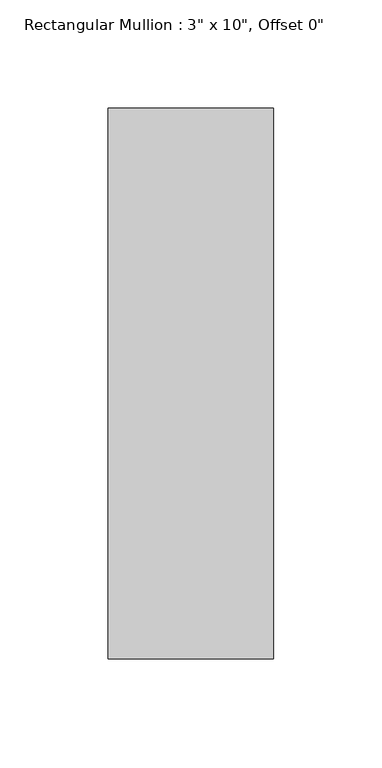
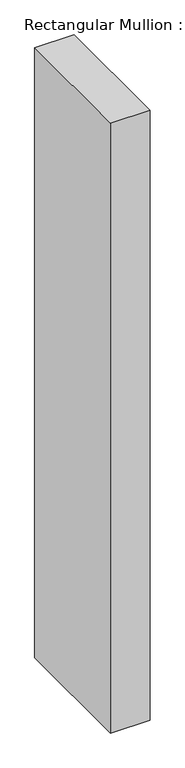
"""IFC4 building model written with IfcOpenShell, lengths in millimetres: member geometry."""

from ifc_helpers import new_model, si_unit, frame, origin, place, context, project, spatial, polyline, outline, extrude, source, transform, mapped, element, save


def member_2764bc3f(model_context):
    return source(origin(), model_context, "Body", "SweptSolid", [
        extrude(outline(polyline([(0.0, 127.0), (0.0, -127.0), (-76.2, -127.0), (-76.2, 127.0), (0.0, 127.0)])), frame((0.0, 0.0, -1244.6), z_axis=(0.0, 0.0, 1.0), x_axis=(1.0, 0.0, 0.0)), (0.0, 0.0, 1.0), 1244.6),
    ])


if __name__ == "__main__":
    model = new_model("IFC4")
    model_context = context("Model", 3, world=origin())
    ifc_project = project(units=[si_unit("LENGTHUNIT", "METRE", prefix="MILLI")], contexts=[model_context])
    site = spatial("IfcSite", under=ifc_project)
    building = spatial("IfcBuilding", under=site)
    placement = place(None, origin())
    member_shape = member_2764bc3f(model_context)
    element("IfcMember", 1, ObjectType="Rectangular Mullion : 3\" x 10\", Offset 0\"", at=placement, inside=building, context=model_context, shape_type="MappedRepresentation", body=[
        mapped(member_shape, transform((0.0, 0.0, 0.0), x_axis=(1.0, 0.0, 0.0), y_axis=(0.0, 1.0, 0.0), z_axis=(0.0, 0.0, 1.0))),
    ])
    save(model, "model.ifc")
